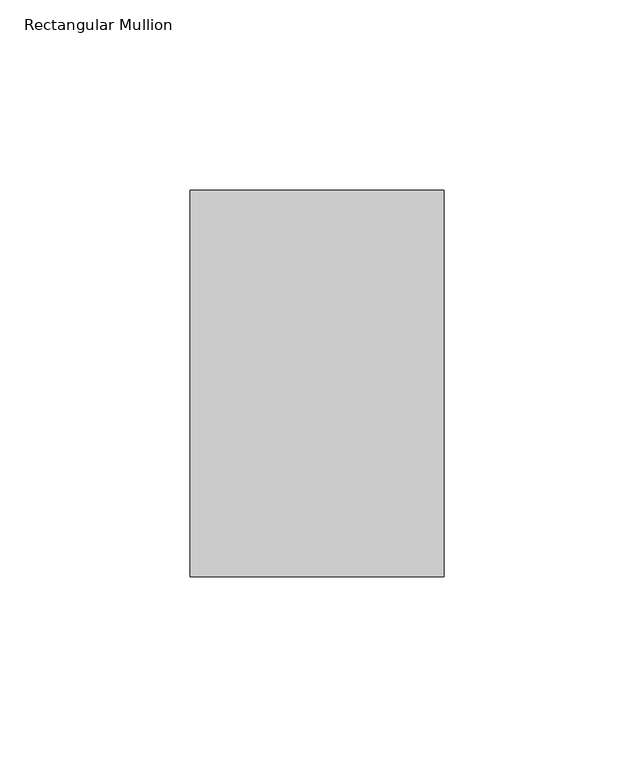
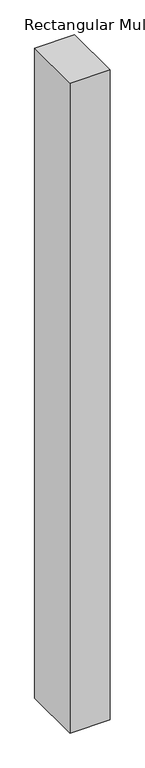
"""IFC4 building model written with IfcOpenShell, lengths in millimetres: member geometry, Rectangular Mullion."""

from ifc_helpers import new_model, si_unit, frame, origin, place, context, project, spatial, polyline, outline, extrude, source, transform, mapped, element, save


def rectangular_mullion_2007d614(model_context):
    return source(origin(), model_context, "Body", "SweptSolid", [
        extrude(outline(polyline([(33.3375, 50.8), (33.3375, -50.8), (-33.3375, -50.8), (-33.3375, 50.8), (33.3375, 50.8)])), frame((0.0, 0.0, -1145.1166667), z_axis=(0.0, 0.0, 1.0), x_axis=(1.0, 0.0, 0.0)), (0.0, 0.0, 1.0), 1145.1166667),
    ])


if __name__ == "__main__":
    model = new_model("IFC4")
    model_context = context("Model", 3, world=origin())
    ifc_project = project(units=[si_unit("LENGTHUNIT", "METRE", prefix="MILLI")], contexts=[model_context])
    site = spatial("IfcSite", under=ifc_project)
    building = spatial("IfcBuilding", under=site)
    placement = place(None, origin())
    rectangular_mullion_shape = rectangular_mullion_2007d614(model_context)
    element("IfcMember", 1, ObjectType="Rectangular Mullion", at=placement, inside=building, context=model_context, shape_type="MappedRepresentation", body=[
        mapped(rectangular_mullion_shape, transform((0.0, 0.0, 0.0), x_axis=(1.0, 0.0, 0.0), y_axis=(0.0, 1.0, 0.0), z_axis=(0.0, 0.0, 1.0))),
    ])
    save(model, "model.ifc")
